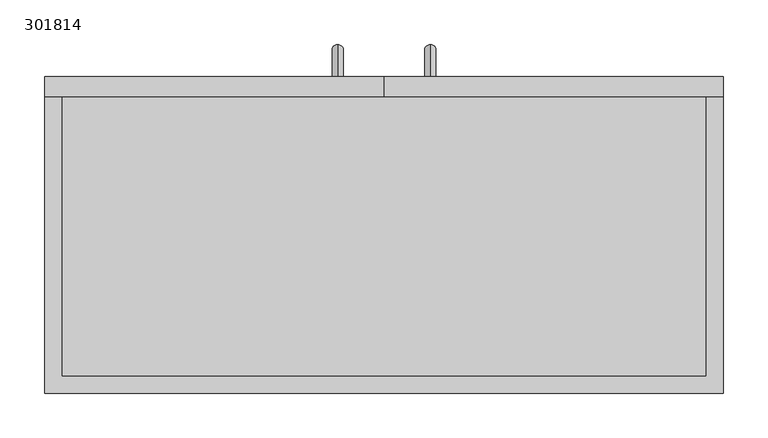
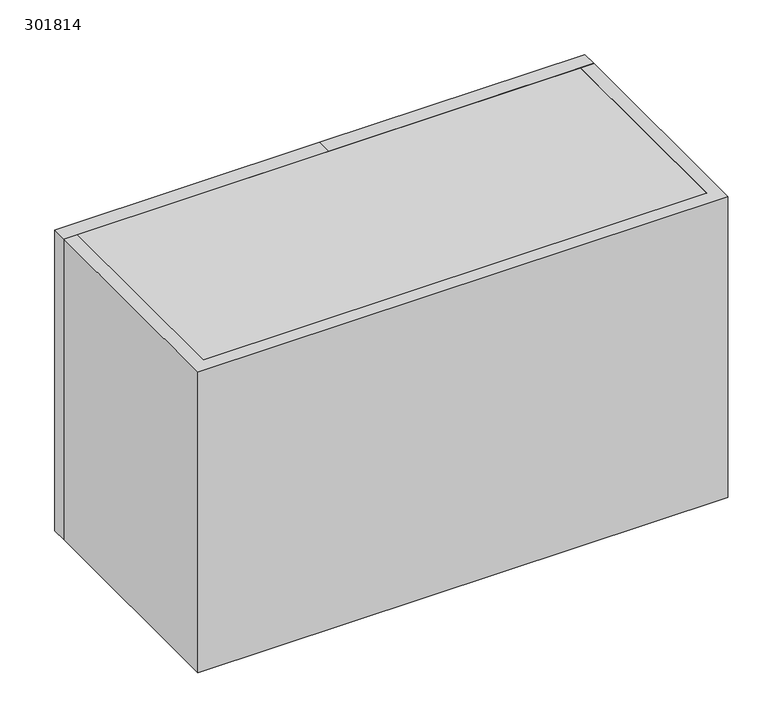
"""IFC4 building model written with IfcOpenShell, lengths in millimetres: furniture geometry, 301814."""

from ifc_helpers import new_model, si_unit, frame, origin, place, context, project, spatial, polyline, circle_curve, ellipse_curve, outline, extrude, source, transform, mapped, element, save
from ifc_brep_helpers import plane_surface, cylinder_surface, advanced_brep


def furniture_301814_4c9f5415(model_context):
    return source(origin(), model_context, "Body", "SolidModel", [
        extrude(outline(polyline([(381.0, 384.4), (0.0, 384.4), (0.0, 406.4), (381.0, 406.4), (381.0, 384.4)])), frame((0.0, 0.0, 1676.4), z_axis=(0.0, 0.0, 1.0), x_axis=(1.0, 0.0, 0.0)), (0.0, 0.0, 1.0), 457.2),
        extrude(outline(polyline([(0.0, 384.4), (-381.0, 384.4), (-381.0, 406.4), (0.0, 406.4), (0.0, 384.4)])), frame((0.0, 0.0, 1676.4), z_axis=(0.0, 0.0, 1.0), x_axis=(1.0, 0.0, 0.0)), (0.0, 0.0, 1.0), 457.2),
        extrude(outline(polyline([(361.8, 384.4), (381.0, 384.4), (381.0, 50.8), (-381.0, 50.8), (-381.0, 384.4), (-361.8, 384.4), (-361.8, 70.0), (361.8, 70.0), (361.8, 384.4)])), frame((0.0, 0.0, 1676.4), z_axis=(0.0, 0.0, 1.0), x_axis=(1.0, 0.0, 0.0)), (0.0, 0.0, 1.0), 457.2),
        advanced_brep(
        [(-52.0, 406.4, 1794.75), (-52.0, 406.4, 1782.05), (-52.0, 430.05, 1794.75), (-52.0, 442.75, 1782.05), (-52.0, 430.05, 1910.05), (-52.0, 442.75, 1922.75), (-52.0, 406.4, 1910.05), (-52.0, 406.4, 1922.75)],
        [
            (0, 1, circle_curve(frame((-52.0, 406.4, 1788.4), z_axis=(0.0, -1.0, 0.0), x_axis=(0.0, 0.0, -1.0)), 6.35)),
            (1, 0, circle_curve(frame((-52.0, 406.4, 1788.4), z_axis=(0.0, -1.0, 0.0), x_axis=(0.0, 0.0, -1.0)), 6.35)),
            (0, 2),
            (2, 3, ellipse_curve(frame((-52.0, 436.4, 1788.4), z_axis=(0.0, -0.7071067811865475, -0.7071067811865475), x_axis=(0.0, -0.7071067811865476, 0.7071067811865474)), 8.9802561, 6.35)),
            (3, 1),
            (3, 2, ellipse_curve(frame((-52.0, 436.4, 1788.4), z_axis=(0.0, -0.7071067811865475, -0.7071067811865475), x_axis=(0.0, -0.7071067811865476, 0.7071067811865474)), 8.9802561, 6.35)),
            (2, 4),
            (4, 5, ellipse_curve(frame((-52.0, 436.4, 1916.4), z_axis=(0.0, 0.7071067811865475, -0.7071067811865475), x_axis=(0.0, -0.7071067811865474, -0.7071067811865476)), 8.9802561, 6.35)),
            (5, 3),
            (5, 4, ellipse_curve(frame((-52.0, 436.4, 1916.4), z_axis=(0.0, 0.7071067811865475, -0.7071067811865475), x_axis=(0.0, -0.7071067811865474, -0.7071067811865476)), 8.9802561, 6.35)),
            (6, 7, circle_curve(frame((-52.0, 406.4, 1916.4), z_axis=(0.0, -1.0, 0.0), x_axis=(0.0, 0.0, 1.0)), 6.35)),
            (7, 6, circle_curve(frame((-52.0, 406.4, 1916.4), z_axis=(0.0, -1.0, 0.0), x_axis=(0.0, 0.0, 1.0)), 6.35)),
            (4, 6),
            (7, 5),
        ],
        [
            plane_surface(frame((-52.0, 406.4, 1788.4), z_axis=(0.0, -1.0, 0.0), x_axis=(-1.0, 0.0, 0.0))),
            cylinder_surface(frame((-52.0, 406.4, 1788.4), z_axis=(0.0, -1.0, 0.0), x_axis=(0.0, 0.0, -1.0)), 6.35),
            cylinder_surface(frame((-52.0, 436.4, 1788.4), z_axis=(0.0, 0.0, -1.0), x_axis=(0.0, 1.0, 0.0)), 6.35),
            plane_surface(frame((-52.0, 406.4, 1916.4), z_axis=(0.0, -1.0, 0.0), x_axis=(-1.0, 0.0, 0.0))),
            cylinder_surface(frame((-52.0, 436.4, 1916.4), z_axis=(0.0, 1.0, 0.0), x_axis=(0.0, 0.0, 1.0)), 6.35),
        ],
        [
            (0, [[1, 2]]),
            (1, [[-1, 3, 4, 5]]),
            (1, [[-2, -5, 6, -3]]),
            (2, [[-4, 7, 8, 9]]),
            (2, [[-6, -9, 10, -7]]),
            (3, [[11, 12]]),
            (4, [[-8, 13, -12, 14]]),
            (4, [[-10, -14, -11, -13]]),
        ],
    ),
        advanced_brep(
        [(52.0, 406.4, 1794.75), (52.0, 406.4, 1782.05), (52.0, 430.05, 1794.75), (52.0, 442.75, 1782.05), (52.0, 430.05, 1910.05), (52.0, 442.75, 1922.75), (52.0, 406.4, 1910.05), (52.0, 406.4, 1922.75)],
        [
            (0, 1, circle_curve(frame((52.0, 406.4, 1788.4), z_axis=(0.0, -1.0, 0.0), x_axis=(0.0, 0.0, -1.0)), 6.35)),
            (1, 0, circle_curve(frame((52.0, 406.4, 1788.4), z_axis=(0.0, -1.0, 0.0), x_axis=(0.0, 0.0, -1.0)), 6.35)),
            (0, 2),
            (2, 3, ellipse_curve(frame((52.0, 436.4, 1788.4), z_axis=(0.0, -0.7071067811865475, -0.7071067811865475), x_axis=(0.0, -0.7071067811865476, 0.7071067811865474)), 8.9802561, 6.35)),
            (3, 1),
            (3, 2, ellipse_curve(frame((52.0, 436.4, 1788.4), z_axis=(0.0, -0.7071067811865475, -0.7071067811865475), x_axis=(0.0, -0.7071067811865476, 0.7071067811865474)), 8.9802561, 6.35)),
            (2, 4),
            (4, 5, ellipse_curve(frame((52.0, 436.4, 1916.4), z_axis=(0.0, 0.7071067811865475, -0.7071067811865475), x_axis=(0.0, -0.7071067811865474, -0.7071067811865476)), 8.9802561, 6.35)),
            (5, 3),
            (5, 4, ellipse_curve(frame((52.0, 436.4, 1916.4), z_axis=(0.0, 0.7071067811865475, -0.7071067811865475), x_axis=(0.0, -0.7071067811865474, -0.7071067811865476)), 8.9802561, 6.35)),
            (6, 7, circle_curve(frame((52.0, 406.4, 1916.4), z_axis=(0.0, -1.0, 0.0), x_axis=(0.0, 0.0, 1.0)), 6.35)),
            (7, 6, circle_curve(frame((52.0, 406.4, 1916.4), z_axis=(0.0, -1.0, 0.0), x_axis=(0.0, 0.0, 1.0)), 6.35)),
            (4, 6),
            (7, 5),
        ],
        [
            plane_surface(frame((52.0, 406.4, 1788.4), z_axis=(0.0, -1.0, 0.0), x_axis=(-1.0, 0.0, 0.0))),
            cylinder_surface(frame((52.0, 406.4, 1788.4), z_axis=(0.0, -1.0, 0.0), x_axis=(0.0, 0.0, -1.0)), 6.35),
            cylinder_surface(frame((52.0, 436.4, 1788.4), z_axis=(0.0, 0.0, -1.0), x_axis=(0.0, 1.0, 0.0)), 6.35),
            plane_surface(frame((52.0, 406.4, 1916.4), z_axis=(0.0, -1.0, 0.0), x_axis=(-1.0, 0.0, 0.0))),
            cylinder_surface(frame((52.0, 436.4, 1916.4), z_axis=(0.0, 1.0, 0.0), x_axis=(0.0, 0.0, 1.0)), 6.35),
        ],
        [
            (0, [[1, 2]]),
            (1, [[-1, 3, 4, 5]]),
            (1, [[-2, -5, 6, -3]]),
            (2, [[-4, 7, 8, 9]]),
            (2, [[-6, -9, 10, -7]]),
            (3, [[11, 12]]),
            (4, [[-8, 13, -12, 14]]),
            (4, [[-10, -14, -11, -13]]),
        ],
    ),
        extrude(outline(polyline([(361.8, 384.4), (361.8, 70.0), (-361.8, 70.0), (-361.8, 384.4), (361.8, 384.4)])), frame((0.0, 0.0, 2111.6), z_axis=(0.0, 0.0, 1.0), x_axis=(1.0, 0.0, 0.0)), (0.0, 0.0, 1.0), 22.0),
        extrude(outline(polyline([(361.8, 384.4), (361.8, 70.0), (-361.8, 70.0), (-361.8, 384.4), (361.8, 384.4)])), frame((0.0, 0.0, 1676.4), z_axis=(0.0, 0.0, 1.0), x_axis=(1.0, 0.0, 0.0)), (0.0, 0.0, 1.0), 20.0),
    ])


if __name__ == "__main__":
    model = new_model("IFC4")
    model_context = context("Model", 3, world=origin())
    ifc_project = project(units=[si_unit("LENGTHUNIT", "METRE", prefix="MILLI")], contexts=[model_context])
    site = spatial("IfcSite", under=ifc_project)
    building = spatial("IfcBuilding", under=site)
    placement = place(None, origin())
    furniture_301814_shape = furniture_301814_4c9f5415(model_context)
    element("IfcFurniture", 1, ObjectType="301814", at=placement, inside=building, context=model_context, shape_type="MappedRepresentation", body=[
        mapped(furniture_301814_shape, transform((0.0, 0.0, 0.0), x_axis=(1.0, 0.0, 0.0), y_axis=(0.0, 1.0, 0.0), z_axis=(0.0, 0.0, 1.0))),
    ])
    save(model, "model.ifc")
